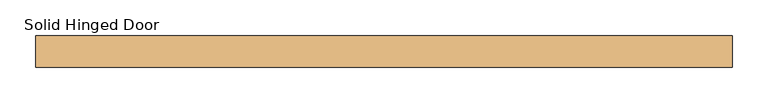
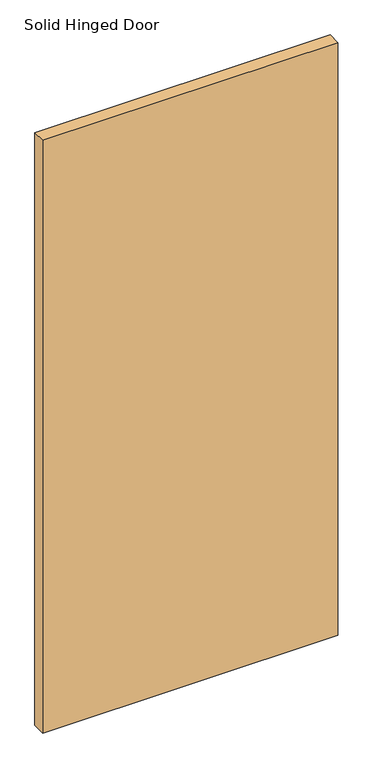
"""IFC4 building model written with IfcOpenShell, lengths in millimetres: door geometry, Solid Hinged Door."""

from ifc_helpers import new_model, si_unit, frame, origin, place, context, project, spatial, polyline, outline, extrude, source, transform, mapped, element, save


def solid_hinged_door_427f7d72(model_context):
    return source(origin(), model_context, "Body", "SweptSolid", [
        extrude(outline(polyline([(490.4564326, -22.225), (-490.4564326, -22.225), (-490.4564326, 22.225), (490.4564326, 22.225), (490.4564326, -22.225)])), frame((0.0, 0.0, 12.7), z_axis=(0.0, 0.0, 1.0), x_axis=(1.0, 0.0, 0.0)), (0.0, 0.0, 1.0), 2081.2635027),
    ])


if __name__ == "__main__":
    model = new_model("IFC4")
    model_context = context("Model", 3, world=origin())
    ifc_project = project(units=[si_unit("LENGTHUNIT", "METRE", prefix="MILLI")], contexts=[model_context])
    site = spatial("IfcSite", under=ifc_project)
    building = spatial("IfcBuilding", under=site)
    placement = place(None, origin())
    solid_hinged_door_shape = solid_hinged_door_427f7d72(model_context)
    element("IfcDoor", 1, ObjectType="Solid Hinged Door", at=placement, inside=building, context=model_context, shape_type="MappedRepresentation", body=[
        mapped(solid_hinged_door_shape, transform((0.0, 0.0, 0.0), x_axis=(1.0, 0.0, 0.0), y_axis=(0.0, 1.0, 0.0), z_axis=(0.0, 0.0, 1.0))),
    ])
    save(model, "model.ifc")
